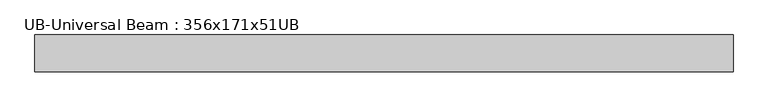
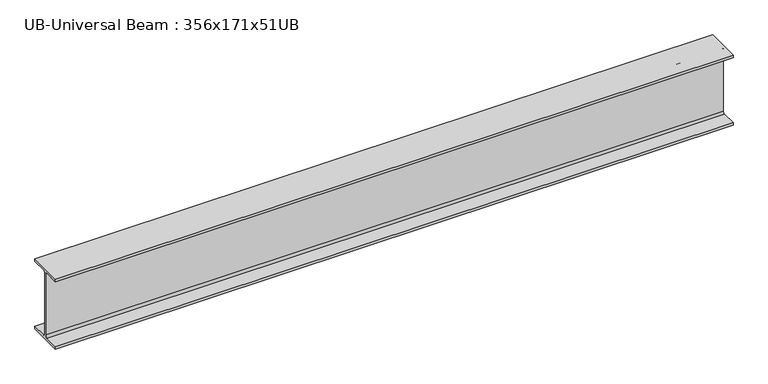
"""IFC4 building model written with IfcOpenShell, lengths in millimetres: beam geometry, UB-Universal Beam : 356x171x51UB."""

from ifc_helpers import new_model, si_unit, point, frame, frame_2d, origin, place, context, project, spatial, polyline, circle_curve, trimmed, segment, composite_curve, outline, extrude, source, transform, mapped, element, save


def ub_universal_beam_356x171x51ub_bc18703a(model_context):
    return source(origin(), model_context, "Body", "SweptSolid", [
        extrude(outline(composite_curve([segment(polyline([(85.75, -166.0), (85.75, -177.5), (-85.75, -177.5), (-85.75, -166.0), (-13.9, -166.0)]), True, "CONTINUOUS"), segment(trimmed(circle_curve(frame_2d((-13.9, -155.8)), 10.2), [point((-13.9, -166.0))], [point((-3.7, -155.8))], True, "CARTESIAN"), True, "CONTINUOUS"), segment(polyline([(-3.7, -155.8), (-3.7, 155.8)]), True, "CONTINUOUS"), segment(trimmed(circle_curve(frame_2d((-13.9, 155.8)), 10.2), [point((-3.7, 155.8))], [point((-13.9, 166.0))], True, "CARTESIAN"), True, "CONTINUOUS"), segment(polyline([(-13.9, 166.0), (-85.75, 166.0), (-85.75, 177.5), (85.75, 177.5), (85.75, 166.0), (13.9, 166.0)]), True, "CONTINUOUS"), segment(trimmed(circle_curve(frame_2d((13.9, 155.8)), 10.2), [point((13.9, 166.0))], [point((3.7, 155.8))], True, "CARTESIAN"), True, "CONTINUOUS"), segment(polyline([(3.7, 155.8), (3.7, -155.8)]), True, "CONTINUOUS"), segment(trimmed(circle_curve(frame_2d((13.9, -155.8)), 10.2), [point((3.7, -155.8))], [point((13.9, -166.0))], True, "CARTESIAN"), True, "CONTINUOUS"), segment(polyline([(13.9, -166.0), (85.75, -166.0)]), True, "CONTINUOUS")], self_intersect=False)), frame((-1629.9090527, 0.0, 0.0), z_axis=(1.0, 0.0, 0.0), x_axis=(0.0, 1.0, 0.0)), (0.0, 0.0, 1.0), 3259.8181054),
    ])


if __name__ == "__main__":
    model = new_model("IFC4")
    model_context = context("Model", 3, world=origin())
    ifc_project = project(units=[si_unit("LENGTHUNIT", "METRE", prefix="MILLI")], contexts=[model_context])
    site = spatial("IfcSite", under=ifc_project)
    building = spatial("IfcBuilding", under=site)
    placement = place(None, origin())
    ub_universal_beam_356x171x51ub_shape = ub_universal_beam_356x171x51ub_bc18703a(model_context)
    element("IfcBeam", 1, ObjectType="UB-Universal Beam : 356x171x51UB", at=placement, inside=building, context=model_context, shape_type="MappedRepresentation", body=[
        mapped(ub_universal_beam_356x171x51ub_shape, transform((0.0, 0.0, 0.0), x_axis=(1.0, 0.0, 0.0), y_axis=(0.0, 1.0, 0.0), z_axis=(0.0, 0.0, 1.0))),
    ])
    save(model, "model.ifc")
